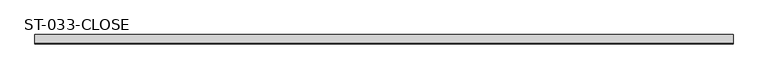
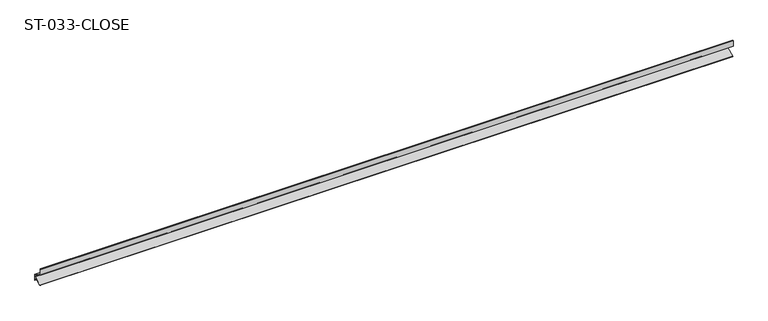
"""IFC4 building model written with IfcOpenShell, lengths in millimetres: plate geometry, ST-033-CLOSE."""

from ifc_helpers import new_model, si_unit, frame, origin, place, context, project, spatial, polyline, outline, extrude, source, transform, mapped, element, save


def st_033_close_4522fb57(model_context):
    return source(origin(), model_context, "Body", "SweptSolid", [
        extrude(outline(polyline([(19.3, -30.2506964), (1.924651, -38.3529547), (1.4597709, -37.3560161), (19.3, -29.0369806), (19.3, -24.4838021), (17.0488274, -23.2042898), (17.0488274, -25.7490485), (14.8765938, -21.9696446), (0.0, -13.514147), (0.0, -1.1), (1.1, 0.0), (1.1, -12.8740969), (20.4, -23.843752), (20.4, -37.2221823), (19.3, -35.7653664), (19.3, -30.2506964)])), frame((-750.0, 0.0, 0.0), z_axis=(1.0, 0.0, 0.0), x_axis=(0.0, 1.0, 0.0)), (0.0, 0.0, 1.0), 1499.7321324),
    ])


if __name__ == "__main__":
    model = new_model("IFC4")
    model_context = context("Model", 3, world=origin())
    ifc_project = project(units=[si_unit("LENGTHUNIT", "METRE", prefix="MILLI")], contexts=[model_context])
    site = spatial("IfcSite", under=ifc_project)
    building = spatial("IfcBuilding", under=site)
    placement = place(None, origin())
    st_033_close_shape = st_033_close_4522fb57(model_context)
    element("IfcPlate", 1, ObjectType="ST-033-CLOSE", at=placement, inside=building, context=model_context, shape_type="MappedRepresentation", body=[
        mapped(st_033_close_shape, transform((0.0, 0.0, 0.0), x_axis=(1.0, 0.0, 0.0), y_axis=(0.0, 1.0, 0.0), z_axis=(0.0, 0.0, 1.0))),
    ])
    save(model, "model.ifc")
